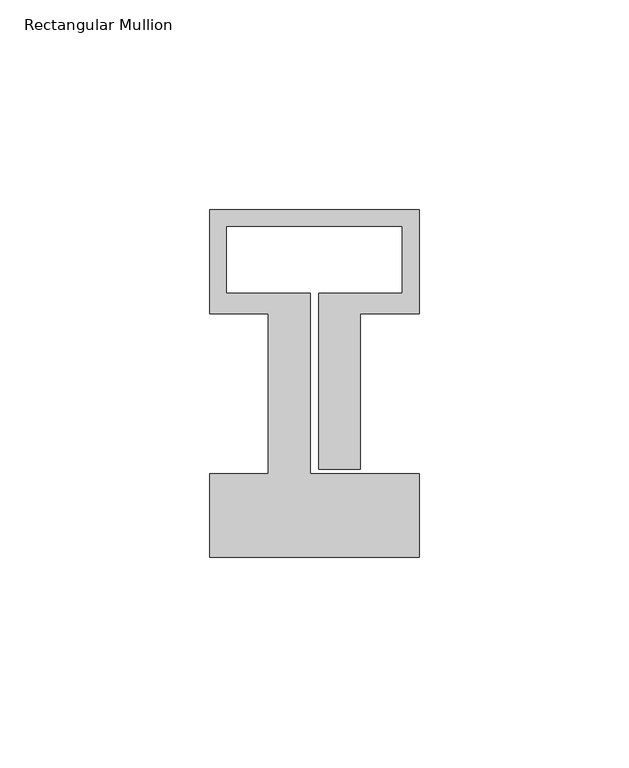
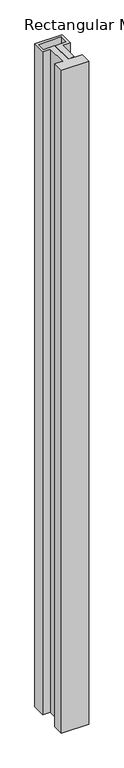
"""IFC4 building model written with IfcOpenShell, lengths in millimetres: member geometry, Rectangular Mullion."""

import ifcopenshell
import ifcopenshell.guid

model = None  # the IFC model being written
_history = None  # IfcOwnerHistory: only IFC2X3 demands one
_inside = {}  # id of a spatial element -> (the spatial element, [elements in it])
_under = {}  # id of a project, library or spatial element -> (it, [spatial elements below it])
_declared = {}  # id of a project -> (the project, [libraries it declares])
_typed = {}  # id of a type object -> (the type object, [elements of that type])
_made_of = {}  # id of a material, layer set ... -> (it, [elements and type objects made of it])


def new_model(schema):
    """Start an empty IFC model of exactly this schema.

    Asked for "IFC4X3", IfcOpenShell would pick the latest addendum, in which some entities
    have other attributes; the version numbers below select the first issue.
    IFC2X3 requires an IfcOwnerHistory on every rooted entity: one is made here for all.
    """
    global model, _history
    if schema == "IFC4X3":
        model = ifcopenshell.file(schema_version=(4, 3, 0, 0))
    else:
        model = ifcopenshell.file(schema=schema)
    _inside.clear()
    _under.clear()
    _declared.clear()
    _typed.clear()
    _made_of.clear()
    _history = None
    if model.schema == "IFC2X3":
        org = make("IfcOrganization", Name="unknown")
        user = make(
            "IfcPersonAndOrganization",
            ThePerson=make("IfcPerson", FamilyName="unknown"),
            TheOrganization=org,
        )
        app = make(
            "IfcApplication",
            ApplicationDeveloper=org,
            Version="unknown",
            ApplicationFullName="unknown",
            ApplicationIdentifier="unknown",
        )
        _history = make(
            "IfcOwnerHistory",
            OwningUser=user,
            OwningApplication=app,
            ChangeAction="ADDED",
            CreationDate=0,
        )
    return model


def make(cls, **values):
    """One entity of the class cls with the attributes given. An attribute that is None is left unset."""
    return model.create_entity(
        cls, **{name: value for name, value in values.items() if value is not None}
    )


def rooted(cls, **values):
    """An entity with a GlobalId (a new one), such as an element, a storey or a relation."""
    return make(cls, GlobalId=ifcopenshell.guid.new(), OwnerHistory=_history, **values)


def si_unit(unit_type, name, prefix=None):
    """IfcSIUnit, for example si_unit("LENGTHUNIT", "METRE", prefix="MILLI")."""
    return make("IfcSIUnit", UnitType=unit_type, Prefix=prefix, Name=name)


def assignment(units):
    """IfcUnitAssignment: the units of a project."""
    return None if units is None else make("IfcUnitAssignment", Units=units)


def point(xyz):
    """IfcCartesianPoint."""
    return None if xyz is None else make("IfcCartesianPoint", Coordinates=xyz)


def direction(xyz):
    """IfcDirection."""
    return None if xyz is None else make("IfcDirection", DirectionRatios=xyz)


def frame(location, z_axis=None, x_axis=None):
    """IfcAxis2Placement3D, a coordinate frame: its origin and axes. An axis left out is left unset."""
    return make(
        "IfcAxis2Placement3D",
        Location=point(location),
        Axis=direction(z_axis),
        RefDirection=direction(x_axis),
    )


def origin():
    """The frame at (0, 0, 0) with its axes left unset."""
    return frame((0.0, 0.0, 0.0))


def place(relative_to, where):
    """IfcLocalPlacement: puts the frame where relative to a parent placement (None: the world)."""
    return make(
        "IfcLocalPlacement", PlacementRelTo=relative_to, RelativePlacement=where
    )


def context(
    kind, dimensions, precision=None, world=None, true_north=None, identifier=None
):
    """IfcGeometricRepresentationContext, for example the 3D "Model" context."""
    return make(
        "IfcGeometricRepresentationContext",
        ContextIdentifier=identifier,
        ContextType=kind,
        CoordinateSpaceDimension=dimensions,
        Precision=precision,
        WorldCoordinateSystem=world,
        TrueNorth=true_north,
    )


def project(units=None, contexts=None):
    """IfcProject with its units and contexts."""
    return rooted(
        "IfcProject",
        Name="project",
        RepresentationContexts=contexts,
        UnitsInContext=assignment(units),
    )


def spatial(cls, under=None, at=None, **own):
    """A site, building, storey or space (cls), placed at a placement, below another one or the project."""
    s = rooted(cls, ObjectPlacement=at, **own)
    if under is not None:
        _under.setdefault(under.id(), (under, []))[1].append(s)
    return s


def polyline(points):
    """IfcPolyline through the points."""
    return make("IfcPolyline", Points=[point(p) for p in points])


def outline(outer, holes=None, kind="AREA"):
    """IfcArbitraryClosedProfileDef: a profile drawn as a closed curve; with holes, ...WithVoids."""
    if holes is None:
        return make("IfcArbitraryClosedProfileDef", ProfileType=kind, OuterCurve=outer)
    return make(
        "IfcArbitraryProfileDefWithVoids",
        ProfileType=kind,
        OuterCurve=outer,
        InnerCurves=holes,
    )


def extrude(swept, where, along, depth):
    """IfcExtrudedAreaSolid: the profile swept, set in the frame where, extruded along a direction by depth."""
    return make(
        "IfcExtrudedAreaSolid",
        SweptArea=swept,
        Position=where,
        ExtrudedDirection=direction(along),
        Depth=depth,
    )


def shape(context_of_items, identifier, shape_type, items):
    """IfcShapeRepresentation: the items that make up one representation, for example the "Body"."""
    return make(
        "IfcShapeRepresentation",
        ContextOfItems=context_of_items,
        RepresentationIdentifier=identifier,
        RepresentationType=shape_type,
        Items=items,
    )


def source(mapping_origin, context_of_items, identifier, shape_type, items):
    """IfcRepresentationMap: a shape defined once, which mapped items show again and again."""
    return make(
        "IfcRepresentationMap",
        MappingOrigin=mapping_origin,
        MappedRepresentation=shape(context_of_items, identifier, shape_type, items),
    )


def transform(
    local_origin,
    x_axis=None,
    y_axis=None,
    z_axis=None,
    scale=None,
    scale2=None,
    scale3=None,
    uniform=True,
):
    """IfcCartesianTransformationOperator3D, or its non-uniform kind. x_axis, y_axis, z_axis: its Axis1, 2, 3."""
    if uniform:
        return make(
            "IfcCartesianTransformationOperator3D",
            Axis1=direction(x_axis),
            Axis2=direction(y_axis),
            LocalOrigin=point(local_origin),
            Scale=scale,
            Axis3=direction(z_axis),
        )
    return make(
        "IfcCartesianTransformationOperator3DnonUniform",
        Axis1=direction(x_axis),
        Axis2=direction(y_axis),
        LocalOrigin=point(local_origin),
        Scale=scale,
        Axis3=direction(z_axis),
        Scale2=scale2,
        Scale3=scale3,
    )


def mapped(mapping_source, mapping_target):
    """IfcMappedItem: shows the shape of a source again, moved by a transform."""
    return make(
        "IfcMappedItem", MappingSource=mapping_source, MappingTarget=mapping_target
    )


def made_of(thing, what):
    """Note that an element or type object is made of a material, layer set ...; save() writes the relation."""
    if what is not None:
        _made_of.setdefault(what.id(), (what, []))[1].append(thing)
    return thing


def element(
    cls,
    number,
    at=None,
    inside=None,
    cuts=None,
    type_object=None,
    material=None,
    context=None,
    identifier="Body",
    shape_type=None,
    held_by="IfcProductDefinitionShape",
    body=None,
    shapes=None,
    **own,
):
    """One element of the class cls, such as IfcWall. Its Tag is "e" and its number.

    at: its placement. inside: the storey or other place that contains it. cuts: it is an
    opening in that element (IfcRelVoidsElement). A single representation is given by context,
    identifier, shape_type and body (its items); several are given by shapes. held_by: the class
    of the entity that holds the representations. save() writes the other relations.
    """
    e = rooted(cls, Tag="e%d" % number, ObjectPlacement=at, **own)
    if body is not None:
        shapes = [shape(context, identifier, shape_type, body)]
    if shapes is not None:
        e.Representation = make(held_by, Representations=shapes)
    if inside is not None:
        _inside.setdefault(inside.id(), (inside, []))[1].append(e)
    if cuts is not None:
        rooted(
            "IfcRelVoidsElement", RelatingBuildingElement=cuts, RelatedOpeningElement=e
        )
    if type_object is not None:
        _typed.setdefault(type_object.id(), (type_object, []))[1].append(e)
    return made_of(e, material)


def aggregate(whole, parts):
    """IfcRelAggregates: a whole, such as a stair, and the parts it consists of."""
    return rooted("IfcRelAggregates", RelatingObject=whole, RelatedObjects=parts)


def save(model, path):
    """Write the relations noted so far, then the file.

    IfcRelAggregates (storeys below a building ...), IfcRelContainedInSpatialStructure (elements
    in a storey), IfcRelDefinesByType, IfcRelAssociatesMaterial and IfcRelDeclares: one each for
    every whole, place, type object, material and project.
    """
    for whole, parts in _under.values():
        aggregate(whole, parts)
    for where, things in _inside.values():
        rooted(
            "IfcRelContainedInSpatialStructure",
            RelatedElements=things,
            RelatingStructure=where,
        )
    for kind, things in _typed.values():
        rooted("IfcRelDefinesByType", RelatedObjects=things, RelatingType=kind)
    for what, things in _made_of.values():
        rooted("IfcRelAssociatesMaterial", RelatedObjects=things, RelatingMaterial=what)
    for by, libraries in _declared.values():
        rooted("IfcRelDeclares", RelatingContext=by, RelatedDefinitions=libraries)
    model.write(path)


def rectangular_mullion_e6c77087(model_context):
    return source(origin(), model_context, "Body", "SweptSolid", [
        extrude(outline(polyline([(-50.0, -58.0), (-50.0, -38.0), (-36.0, -38.0), (-36.0, 0.1), (-50.0, 0.1), (-50.0, 25.0), (0.0, 25.0), (0.0, 0.1), (-14.0, 0.1), (-14.0, -37.0), (-24.0, -37.0), (-24.0, 5.0), (-4.0, 5.0), (-4.0, 21.0), (-46.0, 21.0), (-46.0, 5.0), (-26.0, 5.0), (-26.0, -38.0), (0.0, -38.0), (0.0, -58.0), (-50.0, -58.0)])), frame((0.0, 0.0, -1278.5714285), z_axis=(0.0, 0.0, 1.0), x_axis=(1.0, 0.0, 0.0)), (0.0, 0.0, 1.0), 1278.5714285),
    ])


if __name__ == "__main__":
    model = new_model("IFC4")
    model_context = context("Model", 3, world=origin())
    ifc_project = project(units=[si_unit("LENGTHUNIT", "METRE", prefix="MILLI")], contexts=[model_context])
    site = spatial("IfcSite", under=ifc_project)
    building = spatial("IfcBuilding", under=site)
    placement = place(None, origin())
    rectangular_mullion_shape = rectangular_mullion_e6c77087(model_context)
    element("IfcMember", 1, ObjectType="Rectangular Mullion", at=placement, inside=building, context=model_context, shape_type="MappedRepresentation", body=[
        mapped(rectangular_mullion_shape, transform((0.0, 0.0, 0.0), x_axis=(1.0, 0.0, 0.0), y_axis=(0.0, 1.0, 0.0), z_axis=(0.0, 0.0, 1.0))),
    ])
    save(model, "model.ifc")
